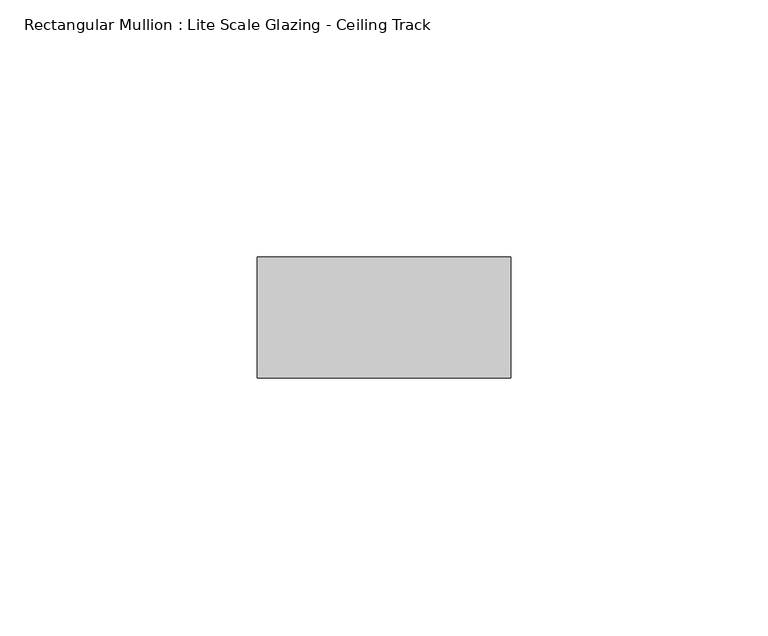
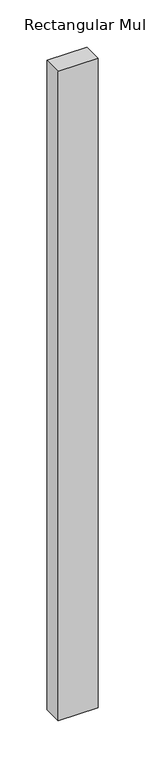
"""IFC4 building model written with IfcOpenShell, lengths in millimetres: member geometry, Rectangular Mullion : Lite Scale Glazing - Ceiling Track."""

from ifc_helpers import new_model, si_unit, frame, origin, place, context, project, spatial, polyline, outline, extrude, source, transform, mapped, element, save


def rectangular_mullion_lite_scale_glazing_ceiling_track_bb96911a(model_context):
    return source(origin(), model_context, "Body", "SweptSolid", [
        extrude(outline(polyline([(-49.276, -11.7474999), (-49.276, 11.7474999), (0.0, 11.7474999), (0.0, -11.7474999), (-49.276, -11.7474999)])), frame((0.0, 0.0, -842.2145276), z_axis=(0.0, 0.0, 1.0), x_axis=(1.0, 0.0, 0.0)), (0.0, 0.0, 1.0), 842.2145276),
    ])


if __name__ == "__main__":
    model = new_model("IFC4")
    model_context = context("Model", 3, world=origin())
    ifc_project = project(units=[si_unit("LENGTHUNIT", "METRE", prefix="MILLI")], contexts=[model_context])
    site = spatial("IfcSite", under=ifc_project)
    building = spatial("IfcBuilding", under=site)
    placement = place(None, origin())
    rectangular_mullion_lite_scale_glazing_ceiling_track_shape = rectangular_mullion_lite_scale_glazing_ceiling_track_bb96911a(model_context)
    element("IfcMember", 1, ObjectType="Rectangular Mullion : Lite Scale Glazing - Ceiling Track", at=placement, inside=building, context=model_context, shape_type="MappedRepresentation", body=[
        mapped(rectangular_mullion_lite_scale_glazing_ceiling_track_shape, transform((0.0, 0.0, 0.0), x_axis=(1.0, 0.0, 0.0), y_axis=(0.0, 1.0, 0.0), z_axis=(0.0, 0.0, 1.0))),
    ])
    save(model, "model.ifc")
